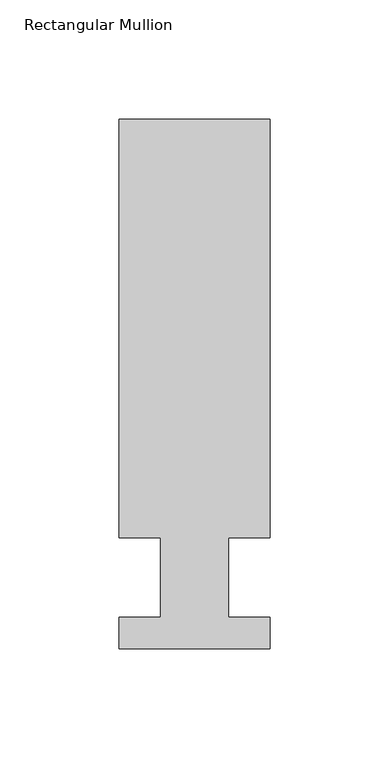
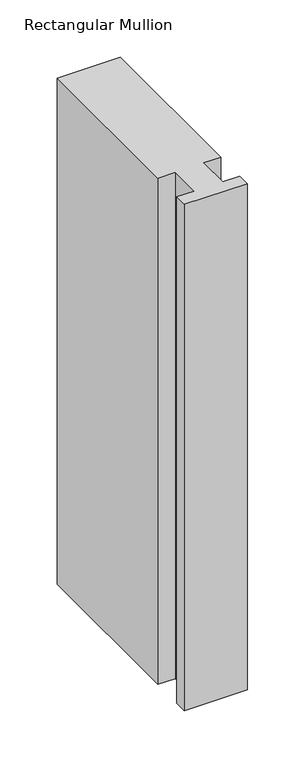
"""IFC4 building model written with IfcOpenShell, lengths in millimetres: member geometry, Rectangular Mullion."""

import ifcopenshell
import ifcopenshell.guid

model = None  # the IFC model being written
_history = None  # IfcOwnerHistory: only IFC2X3 demands one
_inside = {}  # id of a spatial element -> (the spatial element, [elements in it])
_under = {}  # id of a project, library or spatial element -> (it, [spatial elements below it])
_declared = {}  # id of a project -> (the project, [libraries it declares])
_typed = {}  # id of a type object -> (the type object, [elements of that type])
_made_of = {}  # id of a material, layer set ... -> (it, [elements and type objects made of it])


def new_model(schema):
    """Start an empty IFC model of exactly this schema.

    Asked for "IFC4X3", IfcOpenShell would pick the latest addendum, in which some entities
    have other attributes; the version numbers below select the first issue.
    IFC2X3 requires an IfcOwnerHistory on every rooted entity: one is made here for all.
    """
    global model, _history
    if schema == "IFC4X3":
        model = ifcopenshell.file(schema_version=(4, 3, 0, 0))
    else:
        model = ifcopenshell.file(schema=schema)
    _inside.clear()
    _under.clear()
    _declared.clear()
    _typed.clear()
    _made_of.clear()
    _history = None
    if model.schema == "IFC2X3":
        org = make("IfcOrganization", Name="unknown")
        user = make(
            "IfcPersonAndOrganization",
            ThePerson=make("IfcPerson", FamilyName="unknown"),
            TheOrganization=org,
        )
        app = make(
            "IfcApplication",
            ApplicationDeveloper=org,
            Version="unknown",
            ApplicationFullName="unknown",
            ApplicationIdentifier="unknown",
        )
        _history = make(
            "IfcOwnerHistory",
            OwningUser=user,
            OwningApplication=app,
            ChangeAction="ADDED",
            CreationDate=0,
        )
    return model


def make(cls, **values):
    """One entity of the class cls with the attributes given. An attribute that is None is left unset."""
    return model.create_entity(
        cls, **{name: value for name, value in values.items() if value is not None}
    )


def rooted(cls, **values):
    """An entity with a GlobalId (a new one), such as an element, a storey or a relation."""
    return make(cls, GlobalId=ifcopenshell.guid.new(), OwnerHistory=_history, **values)


def si_unit(unit_type, name, prefix=None):
    """IfcSIUnit, for example si_unit("LENGTHUNIT", "METRE", prefix="MILLI")."""
    return make("IfcSIUnit", UnitType=unit_type, Prefix=prefix, Name=name)


def assignment(units):
    """IfcUnitAssignment: the units of a project."""
    return None if units is None else make("IfcUnitAssignment", Units=units)


def point(xyz):
    """IfcCartesianPoint."""
    return None if xyz is None else make("IfcCartesianPoint", Coordinates=xyz)


def direction(xyz):
    """IfcDirection."""
    return None if xyz is None else make("IfcDirection", DirectionRatios=xyz)


def frame(location, z_axis=None, x_axis=None):
    """IfcAxis2Placement3D, a coordinate frame: its origin and axes. An axis left out is left unset."""
    return make(
        "IfcAxis2Placement3D",
        Location=point(location),
        Axis=direction(z_axis),
        RefDirection=direction(x_axis),
    )


def origin():
    """The frame at (0, 0, 0) with its axes left unset."""
    return frame((0.0, 0.0, 0.0))


def place(relative_to, where):
    """IfcLocalPlacement: puts the frame where relative to a parent placement (None: the world)."""
    return make(
        "IfcLocalPlacement", PlacementRelTo=relative_to, RelativePlacement=where
    )


def context(
    kind, dimensions, precision=None, world=None, true_north=None, identifier=None
):
    """IfcGeometricRepresentationContext, for example the 3D "Model" context."""
    return make(
        "IfcGeometricRepresentationContext",
        ContextIdentifier=identifier,
        ContextType=kind,
        CoordinateSpaceDimension=dimensions,
        Precision=precision,
        WorldCoordinateSystem=world,
        TrueNorth=true_north,
    )


def project(units=None, contexts=None):
    """IfcProject with its units and contexts."""
    return rooted(
        "IfcProject",
        Name="project",
        RepresentationContexts=contexts,
        UnitsInContext=assignment(units),
    )


def spatial(cls, under=None, at=None, **own):
    """A site, building, storey or space (cls), placed at a placement, below another one or the project."""
    s = rooted(cls, ObjectPlacement=at, **own)
    if under is not None:
        _under.setdefault(under.id(), (under, []))[1].append(s)
    return s


def polyline(points):
    """IfcPolyline through the points."""
    return make("IfcPolyline", Points=[point(p) for p in points])


def outline(outer, holes=None, kind="AREA"):
    """IfcArbitraryClosedProfileDef: a profile drawn as a closed curve; with holes, ...WithVoids."""
    if holes is None:
        return make("IfcArbitraryClosedProfileDef", ProfileType=kind, OuterCurve=outer)
    return make(
        "IfcArbitraryProfileDefWithVoids",
        ProfileType=kind,
        OuterCurve=outer,
        InnerCurves=holes,
    )


def extrude(swept, where, along, depth):
    """IfcExtrudedAreaSolid: the profile swept, set in the frame where, extruded along a direction by depth."""
    return make(
        "IfcExtrudedAreaSolid",
        SweptArea=swept,
        Position=where,
        ExtrudedDirection=direction(along),
        Depth=depth,
    )


def shape(context_of_items, identifier, shape_type, items):
    """IfcShapeRepresentation: the items that make up one representation, for example the "Body"."""
    return make(
        "IfcShapeRepresentation",
        ContextOfItems=context_of_items,
        RepresentationIdentifier=identifier,
        RepresentationType=shape_type,
        Items=items,
    )


def source(mapping_origin, context_of_items, identifier, shape_type, items):
    """IfcRepresentationMap: a shape defined once, which mapped items show again and again."""
    return make(
        "IfcRepresentationMap",
        MappingOrigin=mapping_origin,
        MappedRepresentation=shape(context_of_items, identifier, shape_type, items),
    )


def transform(
    local_origin,
    x_axis=None,
    y_axis=None,
    z_axis=None,
    scale=None,
    scale2=None,
    scale3=None,
    uniform=True,
):
    """IfcCartesianTransformationOperator3D, or its non-uniform kind. x_axis, y_axis, z_axis: its Axis1, 2, 3."""
    if uniform:
        return make(
            "IfcCartesianTransformationOperator3D",
            Axis1=direction(x_axis),
            Axis2=direction(y_axis),
            LocalOrigin=point(local_origin),
            Scale=scale,
            Axis3=direction(z_axis),
        )
    return make(
        "IfcCartesianTransformationOperator3DnonUniform",
        Axis1=direction(x_axis),
        Axis2=direction(y_axis),
        LocalOrigin=point(local_origin),
        Scale=scale,
        Axis3=direction(z_axis),
        Scale2=scale2,
        Scale3=scale3,
    )


def mapped(mapping_source, mapping_target):
    """IfcMappedItem: shows the shape of a source again, moved by a transform."""
    return make(
        "IfcMappedItem", MappingSource=mapping_source, MappingTarget=mapping_target
    )


def made_of(thing, what):
    """Note that an element or type object is made of a material, layer set ...; save() writes the relation."""
    if what is not None:
        _made_of.setdefault(what.id(), (what, []))[1].append(thing)
    return thing


def element(
    cls,
    number,
    at=None,
    inside=None,
    cuts=None,
    type_object=None,
    material=None,
    context=None,
    identifier="Body",
    shape_type=None,
    held_by="IfcProductDefinitionShape",
    body=None,
    shapes=None,
    **own,
):
    """One element of the class cls, such as IfcWall. Its Tag is "e" and its number.

    at: its placement. inside: the storey or other place that contains it. cuts: it is an
    opening in that element (IfcRelVoidsElement). A single representation is given by context,
    identifier, shape_type and body (its items); several are given by shapes. held_by: the class
    of the entity that holds the representations. save() writes the other relations.
    """
    e = rooted(cls, Tag="e%d" % number, ObjectPlacement=at, **own)
    if body is not None:
        shapes = [shape(context, identifier, shape_type, body)]
    if shapes is not None:
        e.Representation = make(held_by, Representations=shapes)
    if inside is not None:
        _inside.setdefault(inside.id(), (inside, []))[1].append(e)
    if cuts is not None:
        rooted(
            "IfcRelVoidsElement", RelatingBuildingElement=cuts, RelatedOpeningElement=e
        )
    if type_object is not None:
        _typed.setdefault(type_object.id(), (type_object, []))[1].append(e)
    return made_of(e, material)


def aggregate(whole, parts):
    """IfcRelAggregates: a whole, such as a stair, and the parts it consists of."""
    return rooted("IfcRelAggregates", RelatingObject=whole, RelatedObjects=parts)


def save(model, path):
    """Write the relations noted so far, then the file.

    IfcRelAggregates (storeys below a building ...), IfcRelContainedInSpatialStructure (elements
    in a storey), IfcRelDefinesByType, IfcRelAssociatesMaterial and IfcRelDeclares: one each for
    every whole, place, type object, material and project.
    """
    for whole, parts in _under.values():
        aggregate(whole, parts)
    for where, things in _inside.values():
        rooted(
            "IfcRelContainedInSpatialStructure",
            RelatedElements=things,
            RelatingStructure=where,
        )
    for kind, things in _typed.values():
        rooted("IfcRelDefinesByType", RelatedObjects=things, RelatingType=kind)
    for what, things in _made_of.values():
        rooted("IfcRelAssociatesMaterial", RelatedObjects=things, RelatingMaterial=what)
    for by, libraries in _declared.values():
        rooted("IfcRelDeclares", RelatingContext=by, RelatedDefinitions=libraries)
    model.write(path)


def rectangular_mullion_ea1b19ca(model_context):
    return source(origin(), model_context, "Body", "SweptSolid", [
        extrude(outline(polyline([(-63.4999996, 222.5381313), (5e-07, 222.5381313), (5e-07, 46.7447312), (-17.4624996, 46.7447312), (-17.4624996, 13.3945312), (8e-07, 13.3945312), (8e-07, 0.2119312), (-63.4999992, 0.2119312), (-63.4999992, 13.3945312), (-46.0247996, 13.3945312), (-46.0247996, 46.7447312), (-63.4999996, 46.7447312), (-63.4999996, 222.5381313)])), frame((0.0, 0.0, -540.0694229), z_axis=(0.0, 0.0, 1.0), x_axis=(1.0, 0.0, 0.0)), (0.0, 0.0, 1.0), 540.0694229),
    ])


if __name__ == "__main__":
    model = new_model("IFC4")
    model_context = context("Model", 3, world=origin())
    ifc_project = project(units=[si_unit("LENGTHUNIT", "METRE", prefix="MILLI")], contexts=[model_context])
    site = spatial("IfcSite", under=ifc_project)
    building = spatial("IfcBuilding", under=site)
    placement = place(None, origin())
    rectangular_mullion_shape = rectangular_mullion_ea1b19ca(model_context)
    element("IfcMember", 1, ObjectType="Rectangular Mullion", at=placement, inside=building, context=model_context, shape_type="MappedRepresentation", body=[
        mapped(rectangular_mullion_shape, transform((0.0, 0.0, 0.0), x_axis=(1.0, 0.0, 0.0), y_axis=(0.0, 1.0, 0.0), z_axis=(0.0, 0.0, 1.0))),
    ])
    save(model, "model.ifc")
